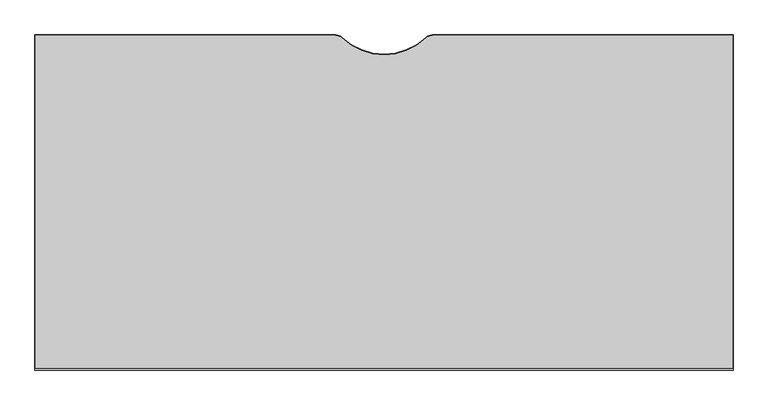
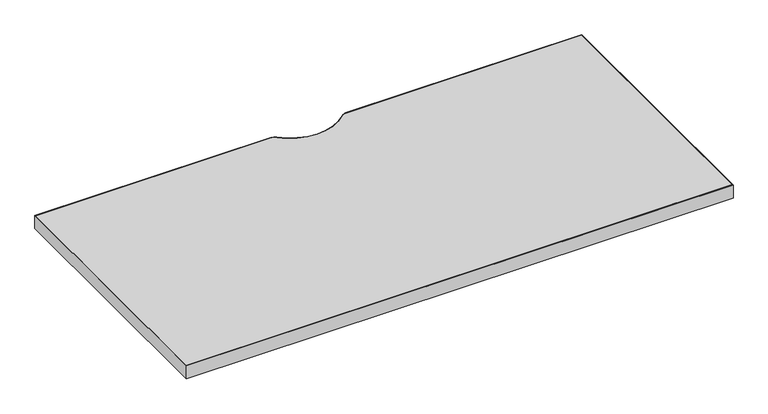
"""IFC4 building model written with IfcOpenShell, lengths in millimetres: furniture geometry."""

from ifc_helpers import new_model, si_unit, point, frame, frame_2d, origin, place, context, project, spatial, polyline, circle_curve, trimmed, segment, composite_curve, outline, extrude, source, transform, mapped, element, save


def furniture_cc955bcc(model_context):
    return source(origin(), model_context, "Body", "SweptSolid", [
        extrude(outline(composite_curve([segment(trimmed(circle_curve(frame_2d((525.4963269, -28.1434663)), 15.4667908), [point((524.6459249, -12.7000717))], [point((536.2125909, -16.9907399))], False, "CARTESIAN"), True, "CONTINUOUS"), segment(trimmed(circle_curve(frame_2d((609.6, 59.3856629)), 105.9200959), [point((536.2125909, -16.9907399))], [point((682.9874091, -16.9907399))], True, "CARTESIAN"), True, "CONTINUOUS"), segment(trimmed(circle_curve(frame_2d((693.7036731, -28.1434663)), 15.4667908), [point((682.9874091, -16.9907399))], [point((694.5540751, -12.7000717))], False, "CARTESIAN"), True, "CONTINUOUS"), segment(polyline([(694.5540751, -12.7000717), (1218.183783, -12.7000717), (1218.183783, -593.9027992), (1.016217, -593.9027992), (1.016217, -12.7000717), (524.6459249, -12.7000717)]), True, "CONTINUOUS")], self_intersect=False)), frame((0.0, 0.0, 698.5), z_axis=(0.0, 0.0, 1.0), x_axis=(1.0, 0.0, 0.0)), (0.0, 0.0, 1.0), 30.0990349),
        extrude(outline(composite_curve([segment(trimmed(circle_curve(frame_2d((525.4728301, -28.2855543)), 16.6015543), [point((525.4728301, -11.684))], [point((536.9672897, -16.3068647))], False, "CARTESIAN"), True, "CONTINUOUS"), segment(trimmed(circle_curve(frame_2d((609.6, 59.3856629)), 104.9040959), [point((536.9672897, -16.3068647))], [point((682.2327103, -16.3068647))], True, "CARTESIAN"), True, "CONTINUOUS"), segment(trimmed(circle_curve(frame_2d((693.7271699, -28.2855543)), 16.6015543), [point((682.2327103, -16.3068647))], [point((693.7271699, -11.684))], False, "CARTESIAN"), True, "CONTINUOUS"), segment(polyline([(693.7271699, -11.684), (1219.2, -11.684), (1219.2, -596.9), (0.0, -596.9), (0.0, -11.684), (525.4728301, -11.684)]), True, "CONTINUOUS")], self_intersect=False), holes=[composite_curve([segment(polyline([(524.6459249, -12.7000717), (1.016217, -12.7000717), (1.016217, -593.9027992), (1218.183783, -593.9027992), (1218.183783, -12.7000717), (694.5540751, -12.7000717)]), True, "CONTINUOUS"), segment(trimmed(circle_curve(frame_2d((693.7036731, -28.1434663)), 15.4667908), [point((694.5540751, -12.7000717))], [point((682.9874091, -16.9907399))], True, "CARTESIAN"), True, "CONTINUOUS"), segment(trimmed(circle_curve(frame_2d((609.6, 59.3856629)), 105.9200959), [point((682.9874091, -16.9907399))], [point((536.2125909, -16.9907399))], False, "CARTESIAN"), True, "CONTINUOUS"), segment(trimmed(circle_curve(frame_2d((525.4963269, -28.1434663)), 15.4667908), [point((536.2125909, -16.9907399))], [point((524.6459249, -12.7000717))], True, "CARTESIAN"), True, "CONTINUOUS")], self_intersect=False)]), frame((0.0, 0.0, 698.5), z_axis=(0.0, 0.0, 1.0), x_axis=(1.0, 0.0, 0.0)), (0.0, 0.0, 1.0), 30.0990349),
    ])


if __name__ == "__main__":
    model = new_model("IFC4")
    model_context = context("Model", 3, world=origin())
    ifc_project = project(units=[si_unit("LENGTHUNIT", "METRE", prefix="MILLI")], contexts=[model_context])
    site = spatial("IfcSite", under=ifc_project)
    building = spatial("IfcBuilding", under=site)
    placement = place(None, origin())
    furniture_shape = furniture_cc955bcc(model_context)
    element("IfcFurniture", 1, at=placement, inside=building, context=model_context, shape_type="MappedRepresentation", body=[
        mapped(furniture_shape, transform((0.0, 0.0, 0.0), x_axis=(1.0, 0.0, 0.0), y_axis=(0.0, 1.0, 0.0), z_axis=(0.0, 0.0, 1.0))),
    ])
    save(model, "model.ifc")
